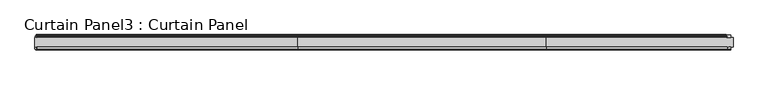
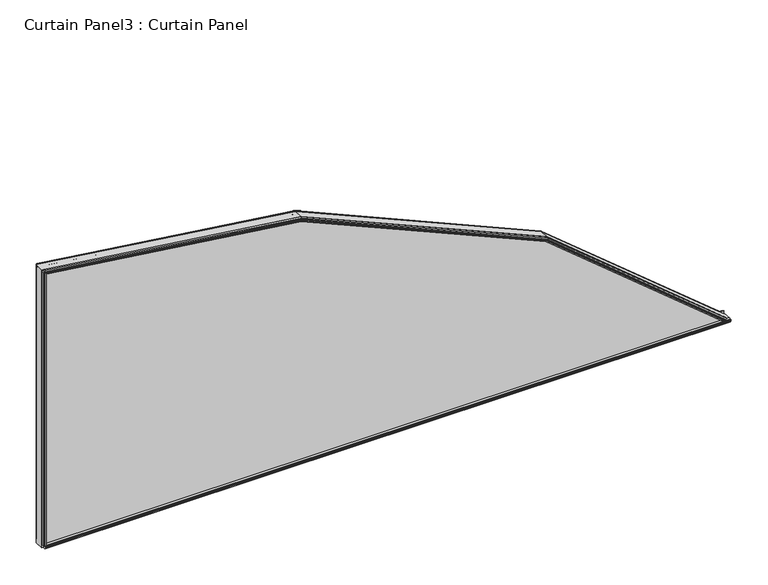
"""IFC4 building model written with IfcOpenShell, lengths in millimetres: plate geometry, Curtain Panel3 : Curtain Panel."""

from ifc_helpers import new_model, si_unit, point, frame, frame_2d, origin, place, context, project, spatial, polyline, circle_curve, ellipse_curve, trimmed, segment, composite_curve, outline, extrude, faceted_brep, source, transform, mapped, element, save
from ifc_brep_helpers import plane_surface, cylinder_surface, advanced_brep


def curtain_panel3_curtain_panel_c4522954(model_context):
    return source(origin(), model_context, "Body", "SolidModel", [
        extrude(outline(polyline([(12784.877983, -409.995609), (12778.146983, -409.995609), (12778.146983, -406.503109), (12775.429183, -406.020509), (12775.683183, -407.569909), (12774.870383, -407.569909), (12774.463983, -405.233109), (12774.870383, -402.896309), (12775.683183, -402.896309), (12775.429183, -404.445709), (12778.146983, -403.963109), (12778.146983, -399.670509), (12784.877983, -398.478009), (12784.877983, -409.995609)])), frame((-9607.9060321, 0.0, 0.0), z_axis=(1.0, 0.0, 0.0), x_axis=(0.0, 1.0, 0.0)), (0.0, 0.0, 1.0), 2212.0756181),
        extrude(outline(composite_curve([segment(trimmed(circle_curve(frame_2d((12826.5954773, -385.5547046)), 13.8172734), [point((12815.002383, -393.0724974))], [point((12822.952583, -398.883109))], True, "CARTESIAN"), True, "CONTINUOUS"), segment(polyline([(12822.952583, -398.883109), (12820.564983, -398.883109)]), True, "CONTINUOUS"), segment(trimmed(circle_curve(frame_2d((12820.564983, -399.670509)), 0.7874), [point((12820.564983, -398.883109))], [point((12819.777583, -399.670509))], True, "CARTESIAN"), True, "CONTINUOUS"), segment(polyline([(12819.777583, -399.670509), (12819.777583, -400.457909), (12821.352383, -400.457909), (12819.777583, -406.2215802), (12819.777583, -407.091305)]), True, "CONTINUOUS"), segment(trimmed(circle_curve(frame_2d((12817.389983, -407.091305)), 2.3876), [point((12819.777583, -407.091305))], [point((12815.002383, -407.091305))], False, "CARTESIAN"), True, "CONTINUOUS"), segment(polyline([(12815.002383, -407.091305), (12815.002383, -393.0724974)]), True, "CONTINUOUS")], self_intersect=False)), frame((-9607.9060321, 0.0, 0.0), z_axis=(1.0, 0.0, 0.0), x_axis=(0.0, 1.0, 0.0)), (0.0, 0.0, 1.0), 2212.0756181),
        advanced_brep(
        [(-9608.6341071, 12815.002383, 528.646369), (-9607.3700988, 12815.002383, 538.133804), (-9607.3236337, 12816.6677648, 538.4825636), (-9607.3183988, 12817.987968, 538.5218556), (-9607.3714767, 12819.7027992, 538.1234622), (-9607.8343832, 12819.7027992, 534.6489631), (-9607.8981167, 12822.4205992, 534.17059), (-9607.6934986, 12822.1665992, 535.7064193), (-9607.6934986, 12822.9793992, 535.7064193), (-9608.002103, 12823.3857992, 533.3900865), (-9608.3107073, 12822.9793992, 531.0737537), (-9608.3107073, 12822.1665992, 531.0737537), (-9608.1060892, 12822.4205992, 532.6095831), (-9608.1698227, 12819.7027992, 532.13121), (-9608.6327292, 12819.7027992, 528.6567108), (-9608.6858071, 12817.987968, 528.2583175), (-9608.6805722, 12816.6677648, 528.2976095), (-7408.2426262, 12815.002383, -394.8927232), (-7414.3421406, 12815.002383, -402.2687021), (-7414.5663597, 12816.6677648, -402.5398442), (-7414.5916207, 12817.987968, -402.5703916), (-7414.3354918, 12819.7027992, -402.2606619), (-7412.1017207, 12819.7027992, -399.5594225), (-7411.7941725, 12822.4205992, -399.1875128), (-7412.7815641, 12822.1665992, -400.3815388), (-7412.7815641, 12822.9793992, -400.3815388), (-7411.2923834, 12823.3857992, -398.5807126), (-7409.8032027, 12822.9793992, -396.7798864), (-7409.8032027, 12822.1665992, -396.7798864), (-7410.7905943, 12822.4205992, -397.9739125), (-7410.4830461, 12819.7027992, -397.6020027), (-7408.249275, 12819.7027992, -394.9007634), (-7407.9931461, 12817.987968, -394.5910336), (-7408.0184071, 12816.6677648, -394.6215811), (-8776.5075642, 12815.002383, 427.4382268), (-8776.4120841, 12816.6677648, 427.7804561), (-8776.4013271, 12817.987968, 427.8190124), (-8776.5103955, 12819.7027992, 427.4280786), (-7984.4120505, 12819.7027992, 81.5530314), (-7986.2661872, 12819.7027992, 78.537856), (-8777.4616111, 12819.7027992, 424.0186367), (-8777.5925755, 12822.4205992, 423.5492208), (-8777.1721107, 12822.1665992, 425.0562929), (-8777.1721107, 12822.9793992, 425.0562929), (-8777.8062544, 12823.3857992, 422.7833317), (-8778.4403981, 12822.9793992, 420.5103704), (-8778.4403981, 12822.1665992, 420.5103704), (-8778.0199332, 12822.4205992, 422.0174425), (-8778.1508977, 12819.7027992, 421.5480266), (-7987.6097644, 12819.7027992, 76.3529463), (-7989.463901, 12819.7027992, 73.337771), (-8779.1021132, 12819.7027992, 418.1385847), (-8779.2111816, 12817.987968, 417.747651), (-8779.2004246, 12816.6677648, 417.7862072), (-8779.1049445, 12815.002383, 418.1284365), (-7989.4694199, 12815.002383, 73.3287963), (-7984.4065317, 12815.002383, 81.5620061), (-7984.2204192, 12816.6677648, 81.8646601), (-7984.1994513, 12817.987968, 81.8987577), (-7986.5214668, 12822.4205992, 78.1227232), (-7985.7018847, 12822.1665992, 79.4555181), (-7985.7018847, 12822.9793992, 79.4555181), (-7986.9379758, 12823.3857992, 77.4454012), (-7988.1740669, 12822.9793992, 75.4352843), (-7988.1740669, 12822.1665992, 75.4352843), (-7987.3544847, 12822.4205992, 76.7680792), (-7989.6765002, 12817.987968, 72.9920446), (-7989.6555324, 12816.6677648, 73.0261423)],
        [
            (0, 1),
            (1, 2),
            (2, 3, circle_curve(frame((-9607.3211607, 12817.3278992, 538.5011252), z_axis=(-0.9912413513303469, 0.0, 0.1320628010182587), x_axis=(0.0041821691953874566, 0.999498442049657, 0.03139066423524093)), 0.6604)),
            (3, 4),
            (4, 5),
            (5, 6),
            (6, 7),
            (7, 8),
            (8, 9),
            (9, 10),
            (10, 11),
            (11, 12),
            (12, 13),
            (13, 14),
            (14, 15),
            (15, 16, circle_curve(frame((-9608.6830452, 12817.3278992, 528.2790479), z_axis=(-0.9912413513303469, 0.0, 0.13206280101825868), x_axis=(0.0037446305748459066, -0.9995979183315306, 0.028106572347564)), 0.6604)),
            (16, 0),
            (17, 18),
            (18, 19),
            (19, 20, circle_curve(frame((-7414.578293, 12817.3278992, -402.5542748), z_axis=(0.7706377184790496, 0.0, -0.6372734945511269), x_axis=(0.018069840968344644, -0.9995979183315306, 0.021851373289785973)), 0.6604)),
            (20, 21),
            (21, 22),
            (22, 23),
            (23, 24),
            (24, 25),
            (25, 26),
            (26, 27),
            (27, 28),
            (28, 29),
            (29, 30),
            (30, 31),
            (31, 32),
            (32, 33, circle_curve(frame((-7408.0064738, 12817.3278992, -394.6071504), z_axis=(0.7706377184790495, 0.0, -0.6372734945511269), x_axis=(0.020181198319284045, 0.999498442049657, 0.024404581018864106)), 0.6604)),
            (33, 17),
            (1, 34),
            (34, 35),
            (35, 2),
            (35, 36, ellipse_curve(frame((-8776.4070025, 12817.3278992, 427.7986701), z_axis=(-0.9632150690995036, 0.0, 0.26873170758144377), x_axis=(-0.2687317075814431, 0.0, -0.9632150690995038)), 0.6668901, 0.6604)),
            (36, 3),
            (36, 37),
            (37, 4),
            (37, 38),
            (38, 31),
            (30, 39),
            (39, 40),
            (40, 5),
            (40, 41),
            (41, 6),
            (41, 42),
            (42, 7),
            (42, 43),
            (43, 8),
            (43, 44),
            (44, 9),
            (44, 45),
            (45, 10),
            (45, 46),
            (46, 11),
            (46, 47),
            (47, 12),
            (47, 48),
            (48, 13),
            (48, 49),
            (49, 22),
            (21, 50),
            (50, 51),
            (51, 14),
            (51, 52),
            (52, 15),
            (52, 53, ellipse_curve(frame((-8779.2055062, 12817.3278992, 417.7679932), z_axis=(-0.9632150690995035, 0.0, 0.2687317075814436), x_axis=(-0.2687317075814449, 0.0, -0.9632150690995032)), 0.6668901, 0.6604)),
            (53, 16),
            (53, 54),
            (54, 0),
            (54, 55),
            (55, 18),
            (17, 56),
            (56, 34),
            (56, 57),
            (57, 35),
            (57, 58, ellipse_curve(frame((-7984.2105139, 12817.3278992, 81.8807679), z_axis=(-0.8518292535739967, 0.0, 0.5238195517118158), x_axis=(-0.5238195517118146, 0.0, -0.8518292535739975)), 0.6668901, 0.6604)),
            (58, 36),
            (58, 38),
            (39, 59),
            (59, 41),
            (59, 60),
            (60, 42),
            (43, 61),
            (61, 62),
            (62, 44),
            (62, 63),
            (63, 45),
            (46, 64),
            (64, 65),
            (65, 47),
            (65, 49),
            (50, 66),
            (66, 52),
            (66, 67, ellipse_curve(frame((-7989.6654376, 12817.3278992, 73.0100345), z_axis=(-0.8518292535739967, 0.0, 0.5238195517118156), x_axis=(-0.523819551711816, 0.0, -0.8518292535739965)), 0.6668901, 0.6604)),
            (67, 53),
            (67, 55),
            (33, 57),
            (32, 58),
            (29, 59),
            (28, 60),
            (61, 27),
            (26, 62),
            (25, 63),
            (64, 24),
            (23, 65),
            (20, 66),
            (19, 67),
            (60, 61),
            (63, 64),
        ],
        [
            plane_surface(frame((-9607.2651851, 12815.002383, 538.9212692), z_axis=(-0.9912413513303477, 0.0, 0.13206280101825152), x_axis=(0.0, 1.0, 0.0))),
            plane_surface(frame((-7407.7363613, 12815.002383, -394.2805107), z_axis=(0.7706377184790542, 0.0, -0.6372734945511215), x_axis=(0.0, 1.0, 0.0))),
            plane_surface(frame((-9607.3700988, 12815.002383, 538.133804), z_axis=(0.12921068404145616, -0.2067049284832198, 0.9698338371444286), x_axis=(0.9912413513303476, 0.0, -0.13206280101825163))),
            cylinder_surface(frame((-9607.3211607, 12817.3278992, 538.5011252), z_axis=(-0.9912413513303466, 0.0, 0.13206280101825868), x_axis=(0.0041821691953874566, 0.999498442049657, 0.03139066423524093)), 0.6604),
            plane_surface(frame((-9607.3183988, 12817.987968, 538.5218556), z_axis=(0.12857849709064642, 0.22819132278912832, 0.9650887473645409), x_axis=(0.9912413513303476, 0.0, -0.1320628010182515))),
            plane_surface(frame((-9607.3714767, 12819.7027992, 538.1234622), z_axis=(0.0, 1.0000000000000002, 0.0), x_axis=(0.9912413513303477, 0.0, -0.1320628010182513))),
            plane_surface(frame((-9607.8343832, 12819.7027992, 534.6489631), z_axis=(0.13002873371405077, 0.174835110415348, 0.9759739815050263), x_axis=(0.9912413513303476, 0.0, -0.1320628010182517))),
            plane_surface(frame((-9607.8981167, 12822.4205992, 534.17059), z_axis=(-0.021364463209236708, -0.9868276651054949, -0.16035809644111657), x_axis=(0.9912413513303477, 0.0, -0.13206280101825138))),
            plane_surface(frame((-9607.6934986, 12822.1665992, 535.7064193), z_axis=(0.13206280101825174, 0.0, 0.9912413513303477), x_axis=(0.9912413513303477, 0.0, -0.13206280101825174))),
            plane_surface(frame((-9607.6934986, 12822.9793992, 535.7064193), z_axis=(0.022627795467433355, 0.985211754819644, 0.16984045759913072), x_axis=(0.9912413513303477, 0.0, -0.13206280101825166))),
            plane_surface(frame((-9608.002103, 12823.3857992, 533.3900865), z_axis=(-0.022627795467377615, 0.9852117548197106, -0.16984045759875085), x_axis=(0.9912413513303476, 0.0, -0.13206280101825169))),
            plane_surface(frame((-9608.3107073, 12822.9793992, 531.0737537), z_axis=(-0.13206280101825169, 0.0, -0.9912413513303476), x_axis=(0.9912413513303476, 0.0, -0.13206280101825169))),
            plane_surface(frame((-9608.3107073, 12822.1665992, 531.0737537), z_axis=(0.021364463209178224, -0.9868276651055613, 0.16035809644071583), x_axis=(0.9912413513303476, 0.0, -0.13206280101825169))),
            plane_surface(frame((-9608.1060892, 12822.4205992, 532.6095831), z_axis=(-0.13002873371403942, 0.17483511041577873, -0.975973981504951), x_axis=(0.9912413513303477, 0.0, -0.13206280101825132))),
            plane_surface(frame((-9608.1698227, 12819.7027992, 532.13121), z_axis=(0.0, 1.0, 0.0), x_axis=(0.9912413513303476, 0.0, -0.13206280101825155))),
            plane_surface(frame((-9608.6327292, 12819.7027992, 528.6567108), z_axis=(-0.1285784970906373, 0.22819132278937992, -0.9650887473644827), x_axis=(0.9912413513303477, 0.0, -0.13206280101825132))),
            cylinder_surface(frame((-9608.6830452, 12817.3278992, 528.2790479), z_axis=(-0.9912413513303469, 0.0, 0.13206280101825868), x_axis=(0.0037446305748459066, -0.9995979183315306, 0.028106572347564)), 0.6604),
            plane_surface(frame((-9608.6805722, 12816.6677648, 528.2976095), z_axis=(-0.12921068404147024, -0.20670492848274602, -0.9698338371445278), x_axis=(0.9912413513303477, 0.0, -0.1320628010182514))),
            plane_surface(frame((-9607.5056525, 12815.002383, 537.116361), z_axis=(0.0, -1.0000000000000002, 0.0), x_axis=(0.9912413513303477, 0.0, -0.13206280101825132))),
            plane_surface(frame((-8776.5075642, 12815.002383, 427.4382268), z_axis=(0.39152771572738476, -0.20670492848322056, 0.8966488277793281), x_axis=(0.9164409011895437, 0.0, -0.40017005713433534))),
            cylinder_surface(frame((-8776.4615941, 12817.3278992, 427.8225079), z_axis=(-0.9164409011895405, 0.0, 0.4001700571343427), x_axis=(0.012672598740600447, 0.999498442049657, 0.029021881080802798)), 0.6604),
            plane_surface(frame((-8776.4013271, 12817.987968, 427.8190124), z_axis=(0.38961209462685753, 0.2281913227891277, 0.8922618090696367), x_axis=(0.9164409011895434, 0.0, -0.40017005713433584))),
            plane_surface(frame((-8777.4616111, 12819.7027992, 424.0186367), z_axis=(0.39400652869891467, 0.17483511041534733, 0.9023256283120217), x_axis=(0.9164409011895437, 0.0, -0.4001700571343353))),
            plane_surface(frame((-8777.5925755, 12822.4205992, 423.5492208), z_axis=(-0.06473752182419963, -0.9868276651054948, -0.1482572515949853), x_axis=(0.9164409011895437, 0.0, -0.40017005713433523))),
            plane_surface(frame((-8777.1721107, 12822.9793992, 425.0562929), z_axis=(0.06856560768974423, 0.9852117548196437, 0.1570240606000699), x_axis=(0.9164409011895434, 0.0, -0.40017005713433607))),
            plane_surface(frame((-8777.8062544, 12823.3857992, 422.7833317), z_axis=(-0.06856560768958546, 0.985211754819711, -0.15702406059971896), x_axis=(0.9164409011895437, 0.0, -0.4001700571343354))),
            plane_surface(frame((-8778.4403981, 12822.1665992, 420.5103704), z_axis=(0.06473752182403256, -0.9868276651055614, 0.1482572515946149), x_axis=(0.9164409011895435, 0.0, -0.40017005713433573))),
            plane_surface(frame((-8778.0199332, 12822.4205992, 422.0174425), z_axis=(-0.3940065286988843, 0.17483511041577945, -0.9023256283119515), x_axis=(0.9164409011895432, 0.0, -0.4001700571343364))),
            plane_surface(frame((-8779.1021132, 12819.7027992, 418.1385847), z_axis=(-0.38961209462683316, 0.22819132278938067, -0.8922618090695827), x_axis=(0.9164409011895432, 0.0, -0.40017005713433623))),
            cylinder_surface(frame((-8780.5883078, 12817.3278992, 418.3718028), z_axis=(-0.9164409011895406, 0.0, 0.4001700571343425), x_axis=(0.011346791220000377, -0.9995979183315306, 0.025985611331669732)), 0.6604),
            plane_surface(frame((-8779.2004246, 12816.6677648, 417.7862072), z_axis=(-0.391527715727427, -0.2067049284827453, -0.8966488277794191), x_axis=(0.9164409011895431, 0.0, -0.4001700571343364))),
            plane_surface(frame((-7984.4065317, 12815.002383, 81.5620061), z_axis=(0.6235105080124704, -0.2067049284832214, 0.7539945085600939), x_axis=(0.7706377184790539, 0.0, -0.6372734945511217))),
            cylinder_surface(frame((-7984.2564202, 12817.3278992, 81.9187297), z_axis=(-0.7706377184790497, 0.0, 0.637273494551127), x_axis=(0.020181198319284045, 0.999498442049657, 0.024404581018864106)), 0.6604),
            plane_surface(frame((-7984.1994513, 12817.987968, 81.8987577), z_axis=(0.6204598685875432, 0.22819132278912713, 0.7503054522500001), x_axis=(0.770637718479054, 0.0, -0.6372734945511216))),
            plane_surface(frame((-7986.2661872, 12819.7027992, 78.537856), z_axis=(0.6274580342617294, 0.17483511041534666, 0.7587681460146177), x_axis=(0.7706377184790543, 0.0, -0.6372734945511213))),
            plane_surface(frame((-7986.5214668, 12822.4205992, 78.1227232), z_axis=(-0.10309493682991251, -0.9868276651054947, -0.12466993776558187), x_axis=(0.7706377184790544, 0.0, -0.6372734945511211))),
            plane_surface(frame((-7985.7018847, 12822.9793992, 79.4555181), z_axis=(0.10919118919433746, 0.9852117548196435, 0.13204197199195772), x_axis=(0.7706377184790545, 0.0, -0.6372734945511209))),
            plane_surface(frame((-7986.9379758, 12823.3857992, 77.4454012), z_axis=(-0.10919118919408664, 0.985211754819711, -0.13204197199166345), x_axis=(0.7706377184790546, 0.0, -0.6372734945511209))),
            plane_surface(frame((-7988.1740669, 12822.1665992, 75.4352843), z_axis=(0.10309493682964832, -0.9868276651055616, 0.12466993776527122), x_axis=(0.770637718479054, 0.0, -0.6372734945511216))),
            plane_surface(frame((-7987.3544847, 12822.4205992, 76.7680792), z_axis=(-0.6274580342616795, 0.17483511041578026, -0.7587681460145591), x_axis=(0.7706377184790543, 0.0, -0.6372734945511213))),
            plane_surface(frame((-7989.463901, 12819.7027992, 73.337771), z_axis=(-0.6204598685875039, 0.22819132278938148, -0.7503054522499554), x_axis=(0.7706377184790543, 0.0, -0.6372734945511214))),
            cylinder_surface(frame((-7990.8282393, 12817.3278992, 73.9716053), z_axis=(-0.7706377184790496, 0.0, 0.6372734945511269), x_axis=(0.018069840968344644, -0.9995979183315306, 0.021851373289785973)), 0.6604),
            plane_surface(frame((-7989.6555324, 12816.6677648, 73.0261423), z_axis=(-0.6235105080125354, -0.2067049284827446, -0.7539945085601709), x_axis=(0.770637718479054, 0.0, -0.6372734945511216))),
            plane_surface(frame((-8777.1721107, 12822.1665992, 425.0562929), z_axis=(0.40017005713433607, 0.0, 0.9164409011895434), x_axis=(0.9164409011895434, 0.0, -0.40017005713433607))),
            plane_surface(frame((-8778.4403981, 12822.9793992, 420.5103704), z_axis=(-0.4001700571343359, 0.0, -0.9164409011895435), x_axis=(0.9164409011895435, 0.0, -0.4001700571343359))),
            plane_surface(frame((-7985.7018847, 12822.1665992, 79.4555181), z_axis=(0.6372734945511209, 0.0, 0.7706377184790545), x_axis=(0.7706377184790545, 0.0, -0.6372734945511209))),
            plane_surface(frame((-7988.1740669, 12822.9793992, 75.4352843), z_axis=(-0.6372734945511217, 0.0, -0.7706377184790539), x_axis=(0.7706377184790539, 0.0, -0.6372734945511217))),
        ],
        [
            (0, [[1, 2, 3, 4, 5, 6, 7, 8, 9, 10, 11, 12, 13, 14, 15, 16, 17]]),
            (1, [[18, 19, 20, 21, 22, 23, 24, 25, 26, 27, 28, 29, 30, 31, 32, 33, 34]]),
            (2, [[-2, 35, 36, 37]]),
            (3, [[-3, -37, 38, 39]]),
            (4, [[-4, -39, 40, 41]]),
            (5, [[-5, -41, 42, 43, -31, 44, 45, 46]]),
            (6, [[-6, -46, 47, 48]]),
            (7, [[-7, -48, 49, 50]]),
            (8, [[-8, -50, 51, 52]]),
            (9, [[-9, -52, 53, 54]]),
            (10, [[-10, -54, 55, 56]]),
            (11, [[-11, -56, 57, 58]]),
            (12, [[-12, -58, 59, 60]]),
            (13, [[-13, -60, 61, 62]]),
            (14, [[-14, -62, 63, 64, -22, 65, 66, 67]]),
            (15, [[-15, -67, 68, 69]]),
            (16, [[-16, -69, 70, 71]]),
            (17, [[-17, -71, 72, 73]]),
            (18, [[-73, 74, 75, -18, 76, 77, -35, -1]]),
            (19, [[-36, -77, 78, 79]]),
            (20, [[-38, -79, 80, 81]]),
            (21, [[-40, -81, 82, -42]]),
            (22, [[-47, -45, 83, 84]]),
            (23, [[-49, -84, 85, 86]]),
            (24, [[-53, 87, 88, 89]]),
            (25, [[-55, -89, 90, 91]]),
            (26, [[-59, 92, 93, 94]]),
            (27, [[-61, -94, 95, -63]]),
            (28, [[-68, -66, 96, 97]]),
            (29, [[-70, -97, 98, 99]]),
            (30, [[-72, -99, 100, -74]]),
            (31, [[-78, -76, -34, 101]]),
            (32, [[-80, -101, -33, 102]]),
            (33, [[-82, -102, -32, -43]]),
            (34, [[-83, -44, -30, 103]]),
            (35, [[-85, -103, -29, 104]]),
            (36, [[-88, 105, -27, 106]]),
            (37, [[-90, -106, -26, 107]]),
            (38, [[-93, 108, -24, 109]]),
            (39, [[-95, -109, -23, -64]]),
            (40, [[-96, -65, -21, 110]]),
            (41, [[-98, -110, -20, 111]]),
            (42, [[-100, -111, -19, -75]]),
            (43, [[-51, -86, 112, -87]]),
            (44, [[-57, -91, 113, -92]]),
            (45, [[-112, -104, -28, -105]]),
            (46, [[-113, -107, -25, -108]]),
        ],
    ),
        faceted_brep([(-9609.0004315, 12784.877983, 525.8967987), (-9608.8411969, 12778.0721992, 527.091987), (-9608.1727551, 12778.0721992, 532.1092), (-9608.1090216, 12775.3543992, 532.5875731), (-9608.3136397, 12775.6083992, 531.0517438), (-9608.3136397, 12774.7955992, 531.0517438), (-9608.0050353, 12774.3891992, 533.3680766), (-9607.696431, 12774.7955992, 535.6844093), (-9607.696431, 12775.6083992, 535.6844093), (-9607.9010491, 12775.3543992, 534.14858), (-9607.8373156, 12778.0721992, 534.6269531), (-9607.2651851, 12778.0721992, 538.9212692), (-9607.2651851, 12784.877983, 538.9212692), (-7416.1098517, 12784.877983, -404.4063476), (-7407.7363613, 12784.877983, -394.2805107), (-7407.7363613, 12778.0721992, -394.2805107), (-7410.4971964, 12778.0721992, -397.6191143), (-7410.8047446, 12775.3543992, -397.9910241), (-7409.817353, 12775.6083992, -396.796998), (-7409.817353, 12774.7955992, -396.796998), (-7411.3065337, 12774.3891992, -398.5978242), (-7412.7957144, 12774.7955992, -400.3986504), (-7412.7957144, 12775.6083992, -400.3986504), (-7411.8083229, 12775.3543992, -399.2046244), (-7412.1158711, 12778.0721992, -399.5765341), (-7415.3414597, 12778.0721992, -403.4771518), (-8779.8576959, 12784.877983, 415.4303497), (-8779.5304885, 12778.0721992, 416.6031591), (-7990.2989024, 12778.0721992, 71.9799014), (-7987.6215098, 12778.0721992, 76.3338461), (-8778.1569234, 12778.0721992, 421.5264288), (-8778.0259589, 12775.3543992, 421.9958447), (-8778.4464237, 12775.6083992, 420.4887725), (-8778.4464237, 12774.7955992, 420.4887725), (-8777.81228, 12774.3891992, 422.7617338), (-8777.1781364, 12774.7955992, 425.0346951), (-8777.1781364, 12775.6083992, 425.0346951), (-8777.5986012, 12775.3543992, 423.5276229), (-8777.4676367, 12778.0721992, 423.9970389), (-7986.2779326, 12778.0721992, 78.5187557), (-7983.9863077, 12778.0721992, 82.2453695), (-8776.2919795, 12778.0721992, 428.2109473), (-8776.2919795, 12784.877983, 428.2109473), (-7983.9863077, 12784.877983, 82.2453695), (-7990.9367044, 12784.877983, 70.9427152), (-7987.3662302, 12775.3543992, 76.7489789), (-7988.1858123, 12775.6083992, 75.416184), (-7988.1858123, 12774.7955992, 75.416184), (-7986.9497212, 12774.3891992, 77.4263009), (-7985.7136301, 12774.7955992, 79.4364178), (-7985.7136301, 12775.6083992, 79.4364178), (-7986.5332123, 12775.3543992, 78.1036229)], [[[0, 1, 2, 3, 4, 5, 6, 7, 8, 9, 10, 11, 12]], [[13, 14, 15, 16, 17, 18, 19, 20, 21, 22, 23, 24, 25]], [[1, 0, 26, 27]], [[2, 1, 27, 28, 25, 24, 29, 30]], [[3, 2, 30, 31]], [[4, 3, 31, 32]], [[5, 4, 32, 33]], [[6, 5, 33, 34]], [[7, 6, 34, 35]], [[8, 7, 35, 36]], [[9, 8, 36, 37]], [[10, 9, 37, 38]], [[11, 10, 38, 39, 16, 15, 40, 41]], [[12, 11, 41, 42]], [[0, 12, 42, 43, 14, 13, 44, 26]], [[27, 26, 44, 28]], [[31, 30, 29, 45]], [[32, 31, 45, 46]], [[33, 32, 46, 47]], [[34, 33, 47, 48]], [[35, 34, 48, 49]], [[36, 35, 49, 50]], [[37, 36, 50, 51]], [[38, 37, 51, 39]], [[42, 41, 40, 43]], [[28, 44, 13, 25]], [[45, 29, 24, 23]], [[46, 45, 23, 22]], [[47, 46, 22, 21]], [[48, 47, 21, 20]], [[49, 48, 20, 19]], [[50, 49, 19, 18]], [[51, 50, 18, 17]], [[39, 51, 17, 16]], [[43, 40, 15, 14]]]),
        extrude(outline(composite_curve([segment(polyline([(-9601.4985577, 12816.7171485), (-9601.8608321, 12815.002383), (-9611.4112321, 12815.002383), (-9611.7735065, 12816.7171485)]), True, "CONTINUOUS"), segment(trimmed(circle_curve(frame_2d((-9611.7922321, 12817.377283)), 0.6604), [point((-9611.7735065, 12816.7171485))], [point((-9611.8131457, 12818.0373518))], False, "CARTESIAN"), True, "CONTINUOUS"), segment(polyline([(-9611.8131457, 12818.0373518), (-9611.4112321, 12819.752183), (-9607.9060321, 12819.752183), (-9607.4234321, 12822.469983), (-9608.9728321, 12822.215983), (-9608.9728321, 12823.028783), (-9606.6360321, 12823.435183), (-9604.2992321, 12823.028783), (-9604.2992321, 12822.215983), (-9605.8486321, 12822.469983), (-9605.3660321, 12819.752183), (-9601.8608321, 12819.752183), (-9601.4589185, 12818.0373518)]), True, "CONTINUOUS"), segment(trimmed(circle_curve(frame_2d((-9601.4798321, 12817.377283)), 0.6604), [point((-9601.4589185, 12818.0373518))], [point((-9601.4985577, 12816.7171485))], False, "CARTESIAN"), True, "CONTINUOUS")], self_intersect=False)), frame((0.0, 0.0, -399.1044095), z_axis=(0.0, 0.0, 1.0), x_axis=(1.0, 0.0, 0.0)), (0.0, 0.0, 1.0), 934.2597581),
        extrude(outline(polyline([(-9606.6106321, 12775.403783), (-9605.0612321, 12775.657783), (-9605.0612321, 12774.844983), (-9607.3980321, 12774.438583), (-9609.7348321, 12774.844983), (-9609.7348321, 12775.657783), (-9608.1854321, 12775.403783), (-9608.6680321, 12778.121583), (-9612.9606321, 12778.121583), (-9612.9606321, 12784.877983), (-9600.6384321, 12784.877983), (-9601.8354321, 12778.121583), (-9606.1280321, 12778.121583), (-9606.6106321, 12775.403783)])), frame((0.0, 0.0, -399.1044095), z_axis=(0.0, 0.0, 1.0), x_axis=(1.0, 0.0, 0.0)), (0.0, 0.0, 1.0), 934.2597581),
        extrude(outline(polyline([(-409.995609, -7388.732515), (82.2453695, -7983.9863077), (428.2109473, -8776.2919795), (539.683456, -9612.9860321), (-409.995609, -9612.9860321), (-409.995609, -7388.732515)])), frame((0.0, 12784.877983, 0.0), z_axis=(0.0, 1.0, 0.0), x_axis=(0.0, 0.0, 1.0)), (0.0, 0.0, 1.0), 30.1244),
    ])


if __name__ == "__main__":
    model = new_model("IFC4")
    model_context = context("Model", 3, world=origin())
    ifc_project = project(units=[si_unit("LENGTHUNIT", "METRE", prefix="MILLI")], contexts=[model_context])
    site = spatial("IfcSite", under=ifc_project)
    building = spatial("IfcBuilding", under=site)
    placement = place(None, origin())
    curtain_panel3_curtain_panel_shape = curtain_panel3_curtain_panel_c4522954(model_context)
    element("IfcPlate", 1, ObjectType="Curtain Panel3 : Curtain Panel", at=placement, inside=building, context=model_context, shape_type="MappedRepresentation", body=[
        mapped(curtain_panel3_curtain_panel_shape, transform((0.0, 0.0, 0.0), x_axis=(1.0, 0.0, 0.0), y_axis=(0.0, 1.0, 0.0), z_axis=(0.0, 0.0, 1.0))),
    ])
    save(model, "model.ifc")
